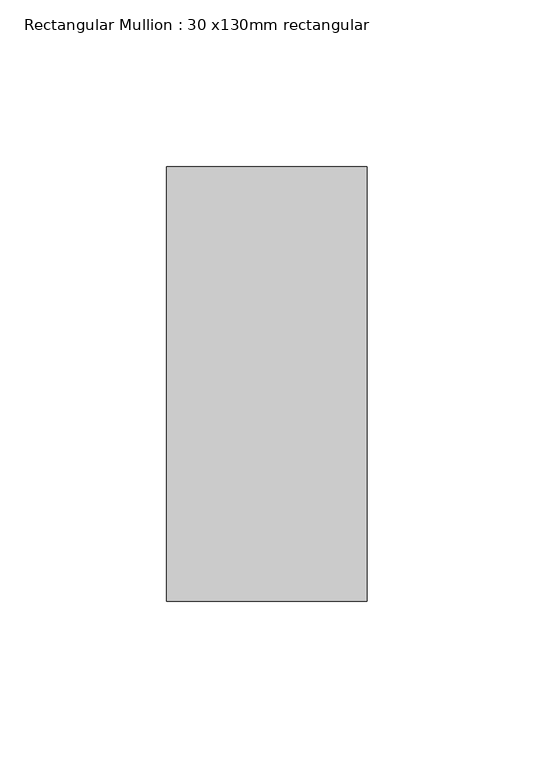
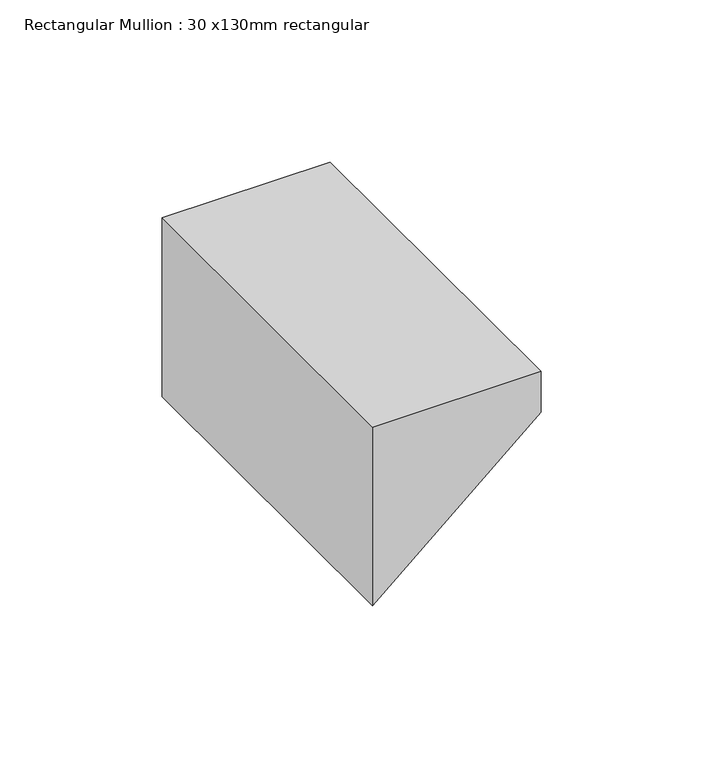
"""IFC4 building model written with IfcOpenShell, lengths in millimetres: member geometry, Rectangular Mullion : 30 x130mm rectangular."""

from ifc_helpers import new_model, si_unit, frame, origin, place, context, project, spatial, polyline, outline, extrude, source, transform, mapped, element, save


def rectangular_mullion_30_x130mm_rectangular_642d0670(model_context):
    return source(origin(), model_context, "Body", "SweptSolid", [
        extrude(outline(polyline([(0.0, 30.0), (0.0, -30.0), (-67.3758452, -30.0), (-15.414321, 30.0), (0.0, 30.0)])), frame((0.0, -65.0, 0.0), z_axis=(0.0, 1.0, 0.0), x_axis=(0.0, 0.0, 1.0)), (0.0, 0.0, 1.0), 130.0),
    ])


if __name__ == "__main__":
    model = new_model("IFC4")
    model_context = context("Model", 3, world=origin())
    ifc_project = project(units=[si_unit("LENGTHUNIT", "METRE", prefix="MILLI")], contexts=[model_context])
    site = spatial("IfcSite", under=ifc_project)
    building = spatial("IfcBuilding", under=site)
    placement = place(None, origin())
    rectangular_mullion_30_x130mm_rectangular_shape = rectangular_mullion_30_x130mm_rectangular_642d0670(model_context)
    element("IfcMember", 1, ObjectType="Rectangular Mullion : 30 x130mm rectangular", at=placement, inside=building, context=model_context, shape_type="MappedRepresentation", body=[
        mapped(rectangular_mullion_30_x130mm_rectangular_shape, transform((0.0, 0.0, 0.0), x_axis=(1.0, 0.0, 0.0), y_axis=(0.0, 1.0, 0.0), z_axis=(0.0, 0.0, 1.0))),
    ])
    save(model, "model.ifc")
